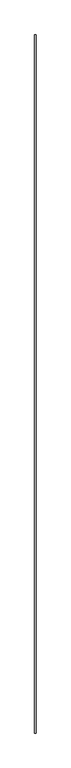
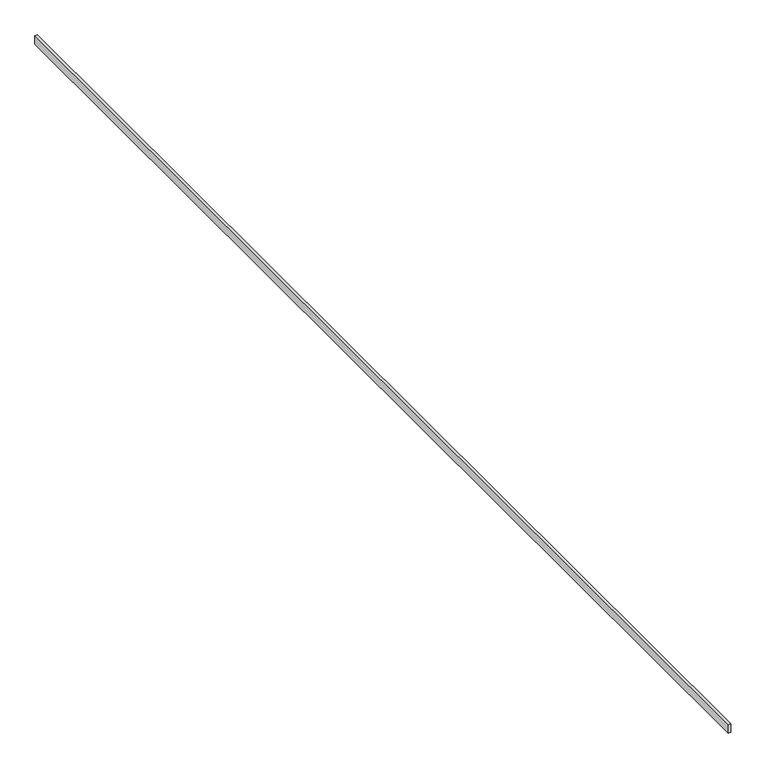
"""IFC4 building model written with IfcOpenShell, lengths in millimetres: railing geometry."""

from ifc_helpers import new_model, si_unit, frame, origin, place, context, project, spatial, polyline, outline, extrude, source, transform, mapped, element, save


def railing_dba0b70f(model_context):
    return source(origin(), model_context, "Body", "SweptSolid", [
        extrude(outline(polyline([(2434.3297172, 40901.9465374), (2444.3297172, 40901.9465374), (2444.3297172, 35571.9465374), (2434.3297172, 35571.9465374), (2434.3297172, 40901.9465374)])), frame((0.0, 0.0, 710.0), z_axis=(0.0, 0.0, 1.0), x_axis=(1.0, 0.0, 0.0)), (0.0, 0.0, 1.0), 40.0),
    ])


if __name__ == "__main__":
    model = new_model("IFC4")
    model_context = context("Model", 3, world=origin())
    ifc_project = project(units=[si_unit("LENGTHUNIT", "METRE", prefix="MILLI")], contexts=[model_context])
    site = spatial("IfcSite", under=ifc_project)
    building = spatial("IfcBuilding", under=site)
    placement = place(None, origin())
    railing_shape = railing_dba0b70f(model_context)
    element("IfcRailing", 1, at=placement, inside=building, context=model_context, shape_type="MappedRepresentation", body=[
        mapped(railing_shape, transform((0.0, 0.0, 0.0), x_axis=(1.0, 0.0, 0.0), y_axis=(0.0, 1.0, 0.0), z_axis=(0.0, 0.0, 1.0))),
    ])
    save(model, "model.ifc")
